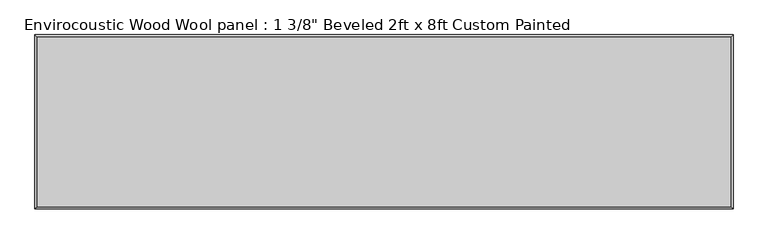
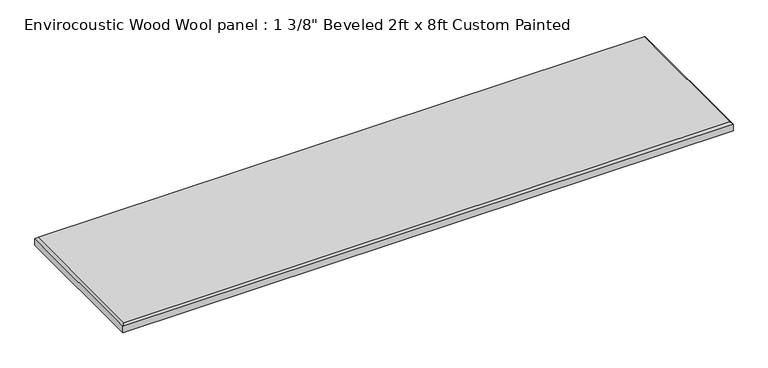
"""IFC4 building model written with IfcOpenShell, lengths in millimetres: proxy geometry."""

from ifc_helpers import new_model, si_unit, origin, place, context, project, spatial, faceted_brep, source, transform, mapped, element, save


def proxy_107259b4(model_context):
    return source(origin(), model_context, "Body", "Brep", [
        faceted_brep([(1211.199, 296.799, 34.925), (-1211.199, 296.799, 34.925), (-1211.199, -296.799, 34.925), (1211.199, -296.799, 34.925), (-1219.2, 304.8, 0.0), (1219.2, 304.8, 0.0), (1219.2, -304.8, 0.0), (-1219.2, -304.8, 0.0), (-1219.2, -304.8, 26.924), (-1219.2, 304.8, 26.924), (1219.2, -304.8, 26.924), (1219.2, 304.8, 26.924)], [[[0, 1, 2, 3]], [[4, 5, 6, 7]], [[4, 7, 8, 9]], [[7, 6, 10, 8]], [[6, 5, 11, 10]], [[5, 4, 9, 11]], [[9, 1, 0, 11]], [[1, 9, 8, 2]], [[2, 8, 10, 3]], [[11, 0, 3, 10]]]),
    ])


if __name__ == "__main__":
    model = new_model("IFC4")
    model_context = context("Model", 3, world=origin())
    ifc_project = project(units=[si_unit("LENGTHUNIT", "METRE", prefix="MILLI")], contexts=[model_context])
    site = spatial("IfcSite", under=ifc_project)
    building = spatial("IfcBuilding", under=site)
    placement = place(None, origin())
    proxy_shape = proxy_107259b4(model_context)
    element("IfcBuildingElementProxy", 1, Name="Envirocoustic Wood Wool panel : 1 3/8\" Beveled 2ft x 8ft Custom Painted", ObjectType="Envirocoustic Wood Wool panel : 1 3/8\" Beveled 2ft x 8ft Custom Painted", at=placement, inside=building, context=model_context, shape_type="MappedRepresentation", body=[
        mapped(proxy_shape, transform((0.0, 0.0, 0.0), x_axis=(1.0, 0.0, 0.0), y_axis=(0.0, 1.0, 0.0), z_axis=(0.0, 0.0, 1.0))),
    ])
    save(model, "model.ifc")
